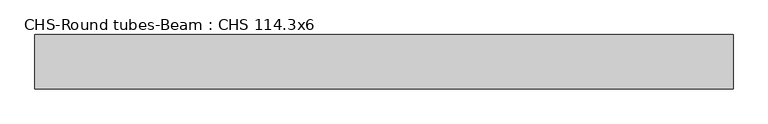
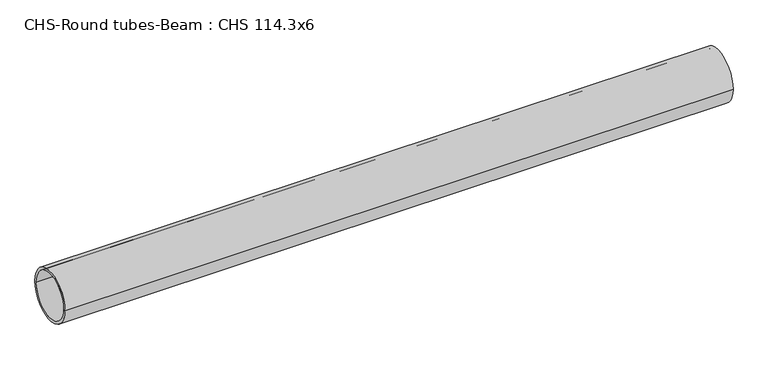
"""IFC4 building model written with IfcOpenShell, lengths in millimetres: beam geometry, CHS-Round tubes-Beam : CHS 114.3x6."""

from ifc_helpers import new_model, si_unit, point, frame, origin, origin_2d, place, context, project, spatial, circle_curve, trimmed, segment, composite_curve, outline, extrude, source, transform, mapped, element, save


def chs_round_tubes_beam_chs_114_3x6_9701d614(model_context):
    return source(origin(), model_context, "Body", "SweptSolid", [
        extrude(outline(composite_curve([segment(trimmed(circle_curve(origin_2d(), 57.15), [point((57.15, 0.0))], [point((-57.15, 0.0))], False, "CARTESIAN"), True, "CONTINUOUS"), segment(trimmed(circle_curve(origin_2d(), 57.15), [point((-57.15, 0.0))], [point((57.15, 0.0))], False, "CARTESIAN"), True, "CONTINUOUS")], self_intersect=False), holes=[composite_curve([segment(trimmed(circle_curve(origin_2d(), 51.15), [point((51.15, 0.0))], [point((-51.15, 0.0))], True, "CARTESIAN"), True, "CONTINUOUS"), segment(trimmed(circle_curve(origin_2d(), 51.15), [point((-51.15, 0.0))], [point((51.15, 0.0))], True, "CARTESIAN"), True, "CONTINUOUS")], self_intersect=False)]), frame((-736.1882128, 0.0, 0.0), z_axis=(1.0, 0.0, 0.0), x_axis=(0.0, 1.0, 0.0)), (0.0, 0.0, 1.0), 1470.824113),
    ])


if __name__ == "__main__":
    model = new_model("IFC4")
    model_context = context("Model", 3, world=origin())
    ifc_project = project(units=[si_unit("LENGTHUNIT", "METRE", prefix="MILLI")], contexts=[model_context])
    site = spatial("IfcSite", under=ifc_project)
    building = spatial("IfcBuilding", under=site)
    placement = place(None, origin())
    chs_round_tubes_beam_chs_114_3x6_shape = chs_round_tubes_beam_chs_114_3x6_9701d614(model_context)
    element("IfcBeam", 1, ObjectType="CHS-Round tubes-Beam : CHS 114.3x6", at=placement, inside=building, context=model_context, shape_type="MappedRepresentation", body=[
        mapped(chs_round_tubes_beam_chs_114_3x6_shape, transform((0.0, 0.0, 0.0), x_axis=(1.0, 0.0, 0.0), y_axis=(0.0, 1.0, 0.0), z_axis=(0.0, 0.0, 1.0))),
    ])
    save(model, "model.ifc")
